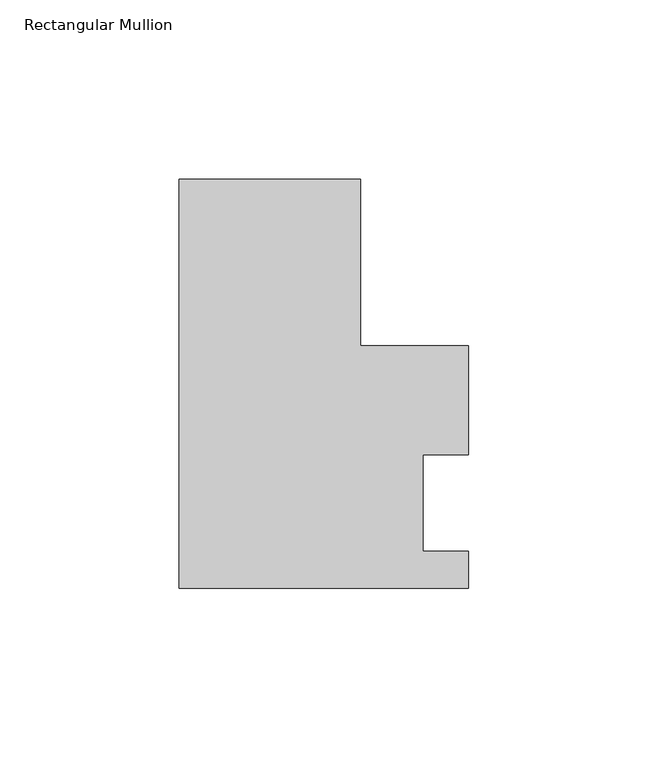
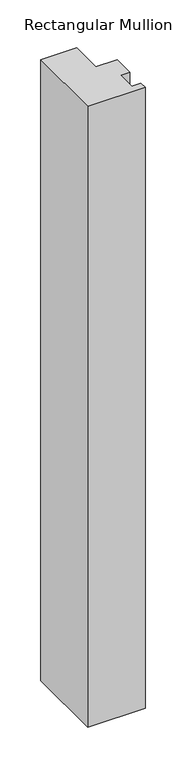
"""IFC4 building model written with IfcOpenShell, lengths in millimetres: member geometry, Rectangular Mullion."""

from ifc_helpers import new_model, si_unit, frame, origin, place, context, project, spatial, polyline, outline, extrude, source, transform, mapped, element, save


def rectangular_mullion_37280832(model_context):
    return source(origin(), model_context, "Body", "SweptSolid", [
        extrude(outline(polyline([(29.7344027, 90.4875), (29.7344027, 43.9899675), (59.8880127, 43.9899675), (59.8880127, 13.49375), (47.1908067, 13.49375), (47.1908067, -13.49375), (59.8880127, -13.49375), (59.8880127, -23.8125), (-21.0655973, -23.8125), (-21.0655973, 90.4875), (29.7344027, 90.4875)])), frame((0.0, 0.0, -925.9405973), z_axis=(0.0, 0.0, 1.0), x_axis=(1.0, 0.0, 0.0)), (0.0, 0.0, 1.0), 925.9405973),
    ])


if __name__ == "__main__":
    model = new_model("IFC4")
    model_context = context("Model", 3, world=origin())
    ifc_project = project(units=[si_unit("LENGTHUNIT", "METRE", prefix="MILLI")], contexts=[model_context])
    site = spatial("IfcSite", under=ifc_project)
    building = spatial("IfcBuilding", under=site)
    placement = place(None, origin())
    rectangular_mullion_shape = rectangular_mullion_37280832(model_context)
    element("IfcMember", 1, ObjectType="Rectangular Mullion", at=placement, inside=building, context=model_context, shape_type="MappedRepresentation", body=[
        mapped(rectangular_mullion_shape, transform((0.0, 0.0, 0.0), x_axis=(1.0, 0.0, 0.0), y_axis=(0.0, 1.0, 0.0), z_axis=(0.0, 0.0, 1.0))),
    ])
    save(model, "model.ifc")
